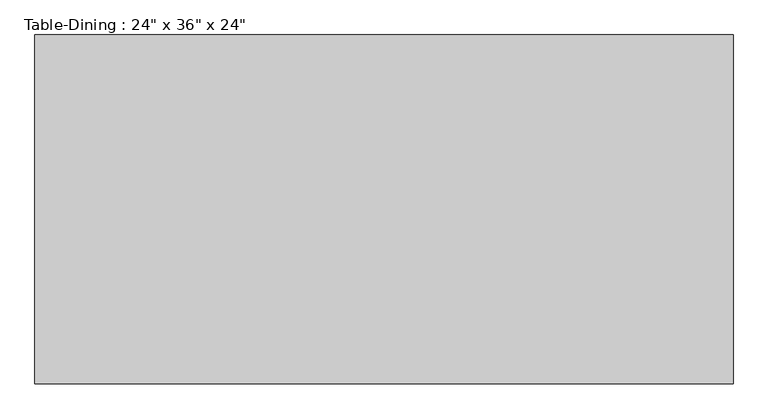
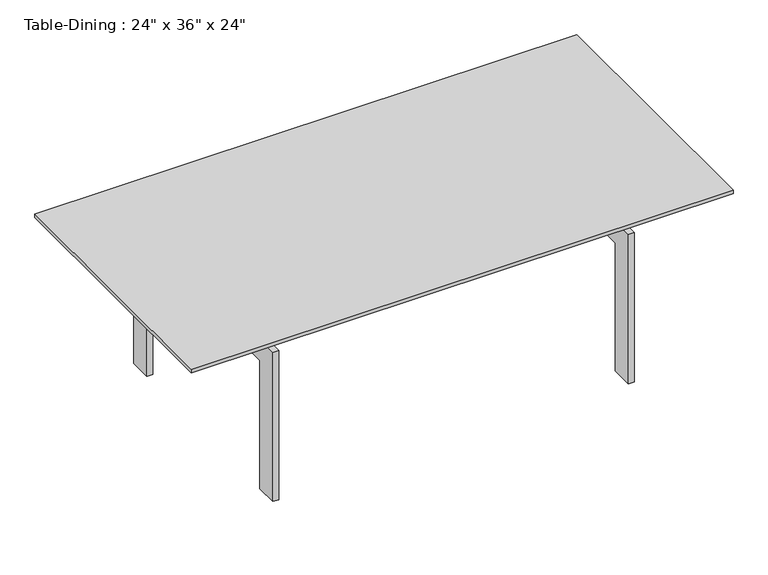
"""IFC4 building model written with IfcOpenShell, lengths in millimetres: furniture geometry."""

from ifc_helpers import new_model, si_unit, frame, origin, place, context, project, spatial, polyline, outline, extrude, source, transform, mapped, element, save


def furniture_5644571f(model_context):
    return source(origin(), model_context, "Body", "SweptSolid", [
        extrude(outline(polyline([(831.0657667, 297.7823857), (831.0657667, 272.3823857), (-794.5342333, 272.3823857), (-794.5342333, 297.7823857), (831.0657667, 297.7823857)])), frame((0.0, 0.0, 533.4), z_axis=(0.0, 0.0, 1.0), x_axis=(1.0, 0.0, 0.0)), (0.0, 0.0, 1.0), 63.5),
        extrude(outline(polyline([(831.0657667, -82.5889222), (831.0657667, -107.9889222), (-794.5342333, -107.9889222), (-794.5342333, -82.5889222), (831.0657667, -82.5889222)])), frame((0.0, 0.0, 533.4), z_axis=(0.0, 0.0, 1.0), x_axis=(1.0, 0.0, 0.0)), (0.0, 0.0, 1.0), 63.5),
        extrude(outline(polyline([(501.6110778, 0.0), (425.4110778, 0.0), (425.4110778, 457.2), (-234.9889222, 457.2), (-234.9889222, 0.0), (-311.1889222, 0.0), (-311.1889222, 533.4), (501.6110778, 533.4), (501.6110778, 0.0)])), frame((608.8157667, 0.0, 0.0), z_axis=(1.0, 0.0, 0.0), x_axis=(0.0, 1.0, 0.0)), (0.0, 0.0, 1.0), 19.05),
        extrude(outline(polyline([(501.6110778, 533.4), (501.6110778, 0.0), (425.4110778, 0.0), (425.4110778, 457.2), (-234.9889222, 457.2), (-234.9889222, 0.0), (-311.1889222, 0.0), (-311.1889222, 533.4), (501.6110778, 533.4)])), frame((-591.3342333, 0.0, 0.0), z_axis=(1.0, 0.0, 0.0), x_axis=(0.0, 1.0, 0.0)), (0.0, 0.0, 1.0), 19.05),
        extrude(outline(polyline([(932.6657667, 552.4110778), (932.6657667, -361.9889222), (-896.1342333, -361.9889222), (-896.1342333, 552.4110778), (932.6657667, 552.4110778)])), frame((0.0, 0.0, 596.9), z_axis=(0.0, 0.0, 1.0), x_axis=(1.0, 0.0, 0.0)), (0.0, 0.0, 1.0), 12.7),
    ])


if __name__ == "__main__":
    model = new_model("IFC4")
    model_context = context("Model", 3, world=origin())
    ifc_project = project(units=[si_unit("LENGTHUNIT", "METRE", prefix="MILLI")], contexts=[model_context])
    site = spatial("IfcSite", under=ifc_project)
    building = spatial("IfcBuilding", under=site)
    placement = place(None, origin())
    furniture_shape = furniture_5644571f(model_context)
    element("IfcFurniture", 1, ObjectType="Table-Dining : 24\" x 36\" x 24\"", at=placement, inside=building, context=model_context, shape_type="MappedRepresentation", body=[
        mapped(furniture_shape, transform((0.0, 0.0, 0.0), x_axis=(1.0, 0.0, 0.0), y_axis=(0.0, 1.0, 0.0), z_axis=(0.0, 0.0, 1.0))),
    ])
    save(model, "model.ifc")
